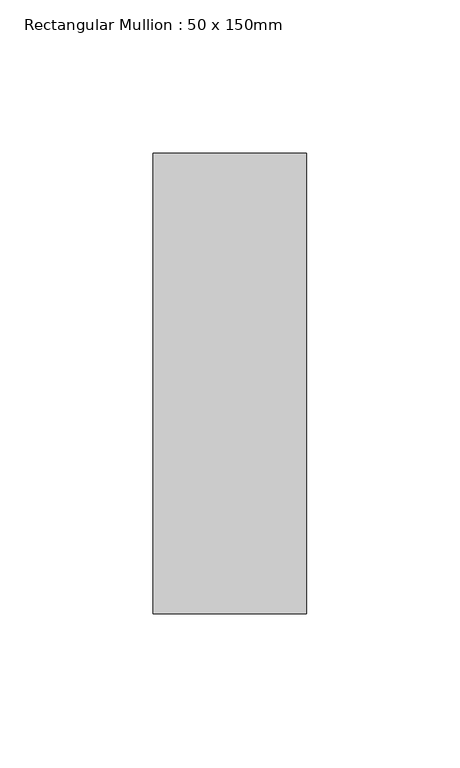
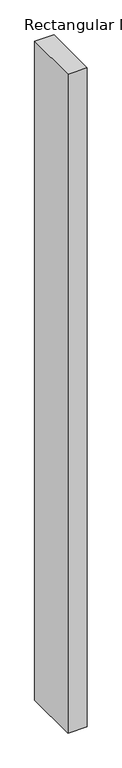
"""IFC4 building model written with IfcOpenShell, lengths in millimetres: member geometry, Rectangular Mullion : 50 x 150mm."""

from ifc_helpers import new_model, si_unit, frame, origin, place, context, project, spatial, polyline, outline, extrude, source, transform, mapped, element, save


def rectangular_mullion_50_x_150mm_3e65022b(model_context):
    return source(origin(), model_context, "Body", "SweptSolid", [
        extrude(outline(polyline([(0.0, 75.0), (0.0, -75.0), (-50.0, -75.0), (-50.0, 75.0), (0.0, 75.0)])), frame((0.0, 0.0, -1818.3333333), z_axis=(0.0, 0.0, 1.0), x_axis=(1.0, 0.0, 0.0)), (0.0, 0.0, 1.0), 1818.3333333),
    ])


if __name__ == "__main__":
    model = new_model("IFC4")
    model_context = context("Model", 3, world=origin())
    ifc_project = project(units=[si_unit("LENGTHUNIT", "METRE", prefix="MILLI")], contexts=[model_context])
    site = spatial("IfcSite", under=ifc_project)
    building = spatial("IfcBuilding", under=site)
    placement = place(None, origin())
    rectangular_mullion_50_x_150mm_shape = rectangular_mullion_50_x_150mm_3e65022b(model_context)
    element("IfcMember", 1, ObjectType="Rectangular Mullion : 50 x 150mm", at=placement, inside=building, context=model_context, shape_type="MappedRepresentation", body=[
        mapped(rectangular_mullion_50_x_150mm_shape, transform((0.0, 0.0, 0.0), x_axis=(1.0, 0.0, 0.0), y_axis=(0.0, 1.0, 0.0), z_axis=(0.0, 0.0, 1.0))),
    ])
    save(model, "model.ifc")
